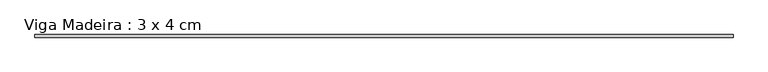
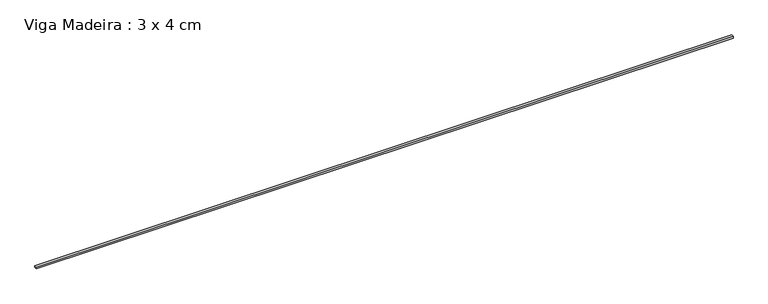
"""IFC4 building model written with IfcOpenShell, lengths in millimetres: beam geometry, Viga Madeira : 3 x 4 cm."""

from ifc_helpers import new_model, si_unit, frame, origin, place, context, project, spatial, polyline, outline, extrude, source, transform, mapped, element, save


def viga_madeira_3_x_4_cm_f401e313(model_context):
    return source(origin(), model_context, "Body", "SweptSolid", [
        extrude(outline(polyline([(5308.7414639, 20.0), (5308.7414639, -20.0), (-5308.7414639, -20.0), (-5308.7414639, 20.0), (5308.7414639, 20.0)])), frame((0.0, 0.0, -15.0), z_axis=(0.0, 0.0, 1.0), x_axis=(1.0, 0.0, 0.0)), (0.0, 0.0, 1.0), 30.0),
    ])


if __name__ == "__main__":
    model = new_model("IFC4")
    model_context = context("Model", 3, world=origin())
    ifc_project = project(units=[si_unit("LENGTHUNIT", "METRE", prefix="MILLI")], contexts=[model_context])
    site = spatial("IfcSite", under=ifc_project)
    building = spatial("IfcBuilding", under=site)
    placement = place(None, origin())
    viga_madeira_3_x_4_cm_shape = viga_madeira_3_x_4_cm_f401e313(model_context)
    element("IfcBeam", 1, ObjectType="Viga Madeira : 3 x 4 cm", at=placement, inside=building, context=model_context, shape_type="MappedRepresentation", body=[
        mapped(viga_madeira_3_x_4_cm_shape, transform((0.0, 0.0, 0.0), x_axis=(1.0, 0.0, 0.0), y_axis=(0.0, 1.0, 0.0), z_axis=(0.0, 0.0, 1.0))),
    ])
    save(model, "model.ifc")
